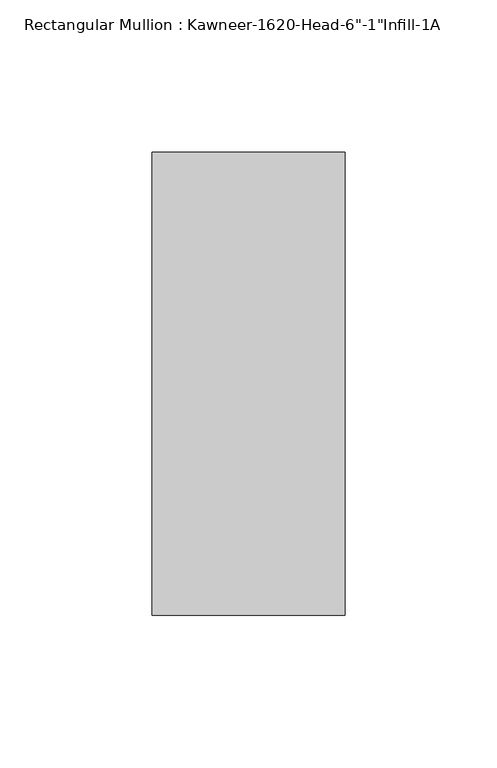
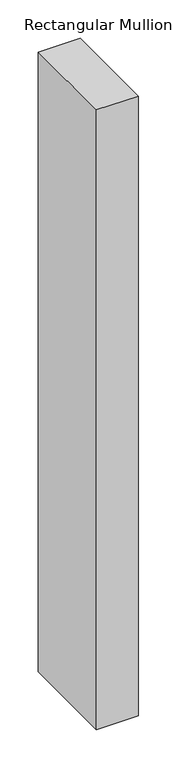
"""IFC4 building model written with IfcOpenShell, lengths in millimetres: member geometry."""

from ifc_helpers import new_model, si_unit, frame, origin, place, context, project, spatial, polyline, outline, extrude, source, transform, mapped, element, save


def member_7ffa0488(model_context):
    return source(origin(), model_context, "Body", "SweptSolid", [
        extrude(outline(polyline([(-22.225, 38.1), (41.275, 38.1), (41.275, -114.3), (-22.225, -114.3), (-22.225, 38.1)])), frame((0.0, 0.0, -990.6), z_axis=(0.0, 0.0, 1.0), x_axis=(1.0, 0.0, 0.0)), (0.0, 0.0, 1.0), 990.6),
    ])


if __name__ == "__main__":
    model = new_model("IFC4")
    model_context = context("Model", 3, world=origin())
    ifc_project = project(units=[si_unit("LENGTHUNIT", "METRE", prefix="MILLI")], contexts=[model_context])
    site = spatial("IfcSite", under=ifc_project)
    building = spatial("IfcBuilding", under=site)
    placement = place(None, origin())
    member_shape = member_7ffa0488(model_context)
    element("IfcMember", 1, ObjectType="Rectangular Mullion : Kawneer-1620-Head-6\"-1\"Infill-1A", at=placement, inside=building, context=model_context, shape_type="MappedRepresentation", body=[
        mapped(member_shape, transform((0.0, 0.0, 0.0), x_axis=(1.0, 0.0, 0.0), y_axis=(0.0, 1.0, 0.0), z_axis=(0.0, 0.0, 1.0))),
    ])
    save(model, "model.ifc")
